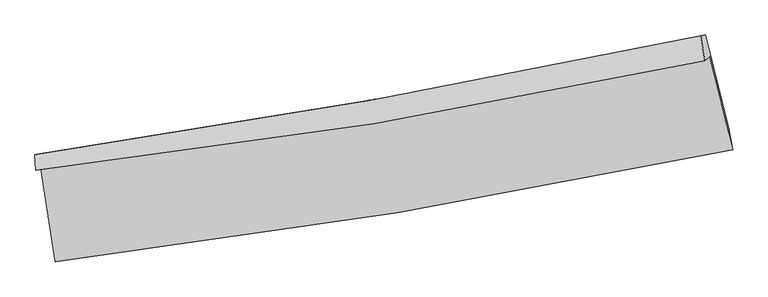
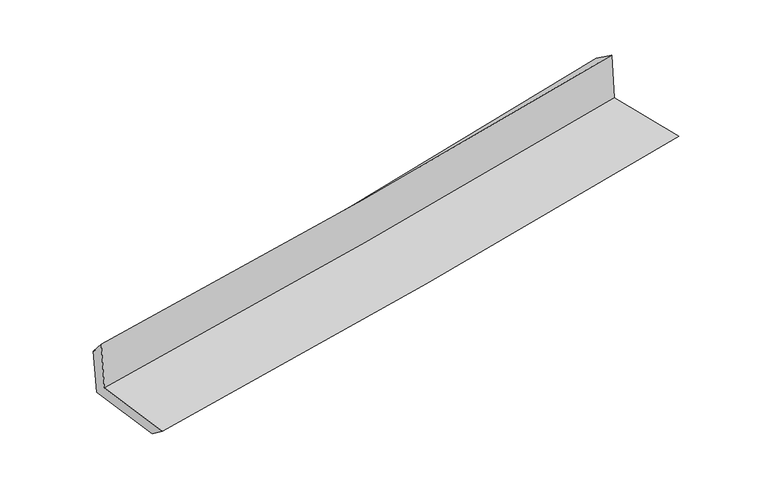
"""IFC4 building model written with IfcOpenShell, lengths in millimetres: proxy geometry."""

from ifc_helpers import new_model, si_unit, frame, origin, place, context, project, spatial, source, transform, mapped, element, save
from ifc_brep_helpers import plane_surface, spline_curve, spline_surface, advanced_brep


def generic_models_f99ea851(model_context):
    return source(origin(), model_context, "Body", "AdvancedBrep", [
        advanced_brep(
        [(-2399.1787434, -1869.8694059, 1659.6565015), (-2296.7394208, -2534.1814975, 1642.9161862), (2484.8513843, -1743.9035613, 2103.7162376), (2323.3623831, -1086.5047634, 2100.1345219), (-2435.4129349, -1887.4790576, 2067.5746542), (2289.5324313, -1113.996332, 2508.3401672), (-2440.033938, -1779.6277925, 1944.3748666), (2258.9012122, -939.5836404, 2384.5908129), (-2404.8308864, -1772.6296335, 1564.1560031), (2293.2252514, -933.1195019, 2023.4683744), (-2306.591675, -2408.0391524, 1545.4519521), (2455.219051, -1575.7592316, 1985.439951)],
        [
            (0, 1),
            (1, 2, spline_curve(3, [(-2296.7394208, -2534.1814975, 1642.9161862), (-1491.512755881, -2436.919404896, 1734.398367659), (-687.799394959, -2321.877656682, 1818.747251311), (906.024567308, -2057.98595662, 1972.16041857), (1696.174808052, -1909.60172634, 2041.411551918), (2484.8513843, -1743.9035613, 2103.7162376)], [4, 2, 4], [0.0, 7.99155658129028, 15.877753015588517])),
            (2, 3),
            (3, 0, spline_curve(3, [(2323.3623831, -1086.5047634, 2100.1345219), (1546.07189779, -1252.753525063, 2046.193912235), (766.508197297, -1400.846393367, 1982.823669674), (-807.611032076, -1662.456309482, 1836.251307397), (-1602.227706662, -1775.484988909, 1752.795543083), (-2399.1787434, -1869.8694059, 1659.6565015)], [4, 2, 4], [0.0, 7.886196434298237, 15.877753015588517])),
            (4, 0),
            (3, 5),
            (5, 4, spline_curve(3, [(2289.5324313, -1113.996332, 2508.3401672), (1512.629706837, -1281.957577435, 2451.253986463), (733.063470149, -1430.09976892, 2386.27688107), (-841.846673807, -1688.460449548, 2239.567298447), (-1637.262225625, -1798.145833413, 2157.622566311), (-2435.4129349, -1887.4790576, 2067.5746542)], [4, 2, 4], [0.0, 7.837563758816059, 15.779837928610087])),
            (6, 4),
            (5, 7),
            (7, 6, spline_curve(3, [(2258.9012122, -939.5836404, 2384.5908129), (1486.673430822, -1103.389778059, 2308.06044577), (711.599023427, -1254.914045765, 2233.341925659), (-854.636122926, -1535.259128395, 2086.554540784), (-1645.873432334, -1663.749578271, 2014.534412006), (-2440.033938, -1779.6277925, 1944.3748666)], [4, 2, 4], [0.0, 7.825038892857243, 15.754620863589677])),
            (8, 6),
            (7, 9),
            (9, 8, spline_curve(3, [(2293.2252514, -933.1195019, 2023.4683744), (1520.868872612, -1097.019632839, 1946.735649185), (745.802022218, -1248.547295571, 1870.34495933), (-820.14378233, -1528.716808761, 1717.231635424), (-1611.095644649, -1657.025856449, 1640.518201484), (-2404.8308864, -1772.6296335, 1564.1560031)], [4, 2, 4], [0.0, 7.813313747208742, 15.731013923510297])),
            (10, 8),
            (9, 11),
            (11, 10, spline_curve(3, [(2455.219051, -1575.7592316, 1985.439951), (1669.329599593, -1732.622945313, 1910.728612867), (882.20870535, -1880.014505977, 1836.944386776), (-705.028412619, -2157.695934349, 1690.256782382), (-1505.177760413, -2287.731013826, 1617.378342285), (-2306.591675, -2408.0391524, 1545.4519521)], [4, 2, 4], [0.0, 7.862137459703891, 15.82931363678279])),
            (1, 10),
            (11, 2),
        ],
        [
            spline_surface(3, 3, [[(-2399.1787434, -1869.8694059, 1659.6565015), (-1602.227706756, -1775.484988888, 1752.795542968), (-807.611031945, -1662.456309551, 1836.251307264), (766.508197167, -1400.846393298, 1982.823669805), (1546.071897853, -1252.753525159, 2046.193912331), (2323.3623831, -1086.5047634, 2100.1345219)], [(-2365.032302549, -2091.306769767, 1654.076396408), (-1565.322723134, -1995.963127581, 1746.663151166), (-767.673819611, -1882.263425245, 1830.416621959), (813.013653849, -1619.892914427, 1979.269252714), (1596.106201228, -1471.70292554, 2044.599792191), (2377.192050165, -1305.637696025, 2101.328427153)], [(-2330.885861651, -2312.744133633, 1648.496291292), (-1528.417739464, -2216.441266273, 1740.530759341), (-727.736607236, -2102.070540931, 1824.581936655), (859.519110571, -1838.939435548, 1975.714835623), (1646.140504607, -1690.652325946, 2043.005671991), (2431.021717235, -1524.770628675, 2102.522332347)], [(-2296.7394208, -2534.1814975, 1642.9161862), (-1491.512755842, -2436.919404967, 1734.398367539), (-687.799394903, -2321.877656625, 1818.74725135), (906.024567253, -2057.985956677, 1972.160418531), (1696.174807982, -1909.601726326, 2041.41155185), (2484.8513843, -1743.9035613, 2103.7162376)]], [4, 4], [4, 2, 4], [0.0, 2.2016654222766032], [0.0, 7.99155658129028, 15.877753015588517]),
            spline_surface(3, 3, [[(-2435.4129349, -1887.4790576, 2067.5746542), (-1637.262225687, -1798.145833403, 2157.622566248), (-841.846673773, -1688.460449584, 2239.567298485), (733.063470115, -1430.099768885, 2386.276881032), (1512.629706928, -1281.957577526, 2451.253986504), (2289.5324313, -1113.996332, 2508.3401672)], [(-2423.33487107, -1881.609173691, 1931.601936628), (-1625.584052713, -1790.592218556, 2022.680225149), (-830.434793149, -1679.79240289, 2105.128634743), (744.211712481, -1420.348643673, 2251.792477288), (1523.777103899, -1272.222893395, 2316.233961784), (2300.809081895, -1104.832475791, 2372.271618771)], [(-2411.25680723, -1875.739289809, 1795.629219072), (-1613.90587973, -1783.038603735, 1887.737884067), (-819.022912569, -1671.124356245, 1970.689971006), (755.359954801, -1410.59751851, 2117.308073549), (1534.924500883, -1262.488209291, 2181.213937051), (2312.085732505, -1095.668619609, 2236.203070329)], [(-2399.1787434, -1869.8694059, 1659.6565015), (-1602.227706756, -1775.484988888, 1752.795542968), (-807.611031945, -1662.456309551, 1836.251307264), (766.508197167, -1400.846393298, 1982.823669805), (1546.071897853, -1252.753525159, 2046.193912331), (2323.3623831, -1086.5047634, 2100.1345219)]], [4, 4], [4, 2, 4], [0.0, 1.33117316364643], [0.0, 7.942274169794028, 15.779837928610087]),
            spline_surface(3, 3, [[(-2440.033938, -1779.6277925, 1944.3748666), (-1645.873432435, -1663.7495784, 2014.534412124), (-854.636122932, -1535.259128524, 2086.554540741), (711.599023432, -1254.914045637, 2233.341925703), (1486.673430713, -1103.389778119, 2308.060445874), (2258.9012122, -939.5836404, 2384.5908129)], [(-2438.493603638, -1815.578214224, 1985.441462464), (-1643.003030191, -1708.548330092, 2062.230463496), (-850.372973223, -1586.326235557, 2137.558793309), (718.753838983, -1313.309286732, 2284.320244133), (1495.325522808, -1162.912377921, 2355.791626071), (2269.11161859, -997.721204266, 2425.840597654)], [(-2436.953269262, -1851.528635876, 2026.508058336), (-1640.132627932, -1753.347081711, 2109.926514876), (-846.109823483, -1637.393342551, 2188.563045917), (725.908654565, -1371.704527789, 2335.298562602), (1503.977614833, -1222.434977725, 2403.522806307), (2279.32202491, -1055.858768134, 2467.090382446)], [(-2435.4129349, -1887.4790576, 2067.5746542), (-1637.262225687, -1798.145833403, 2157.622566248), (-841.846673773, -1688.460449584, 2239.567298485), (733.063470115, -1430.099768885, 2386.276881032), (1512.629706928, -1281.957577526, 2451.253986504), (2289.5324313, -1113.996332, 2508.3401672)]], [4, 4], [4, 2, 4], [0.0, 0.7380316483350869], [0.0, 7.929581970732434, 15.754620863589677]),
            spline_surface(3, 3, [[(-2404.8308864, -1772.6296335, 1564.1560031), (-1611.095644587, -1657.025856359, 1640.518201375), (-820.14378235, -1528.716808679, 1717.231635343), (745.802022238, -1248.547295652, 1870.344959409), (1520.868872654, -1097.019632803, 1946.735649182), (2293.2252514, -933.1195019, 2023.4683744)], [(-2416.565236937, -1774.96235315, 1690.895624275), (-1622.68824054, -1659.267097023, 1765.190271633), (-831.641229198, -1530.897581943, 1840.33927046), (734.401022649, -1250.669545629, 1991.343948158), (1509.470392005, -1099.143014575, 2067.177248064), (2281.783904998, -935.274214733, 2143.842520551)], [(-2428.299587463, -1777.29507285, 1817.635245425), (-1634.280836482, -1661.508337736, 1889.862341866), (-843.138676084, -1533.078355261, 1963.446905624), (723.000023021, -1252.79179566, 2112.342936954), (1498.071911362, -1101.266396347, 2187.618846992), (2270.342558602, -937.428927567, 2264.216666749)], [(-2440.033938, -1779.6277925, 1944.3748666), (-1645.873432435, -1663.7495784, 2014.534412124), (-854.636122932, -1535.259128524, 2086.554540741), (711.599023432, -1254.914045637, 2233.341925703), (1486.673430713, -1103.389778119, 2308.060445874), (2258.9012122, -939.5836404, 2384.5908129)]], [4, 4], [4, 2, 4], [0.0, 1.2069101753906897], [0.0, 7.917700176301555, 15.731013923510297]),
            spline_surface(3, 3, [[(-2306.591675, -2408.0391524, 1545.4519521), (-1505.177760283, -2287.731013885, 1617.37834223), (-705.028412561, -2157.695934298, 1690.256782408), (882.208705292, -1880.014506027, 1836.944386751), (1669.329599601, -1732.622945393, 1910.728612882), (2455.219051, -1575.7592316, 1985.439951)], [(-2339.338078798, -2196.235979433, 1551.686635768), (-1540.483721715, -2077.495961376, 1625.091628613), (-743.400202495, -1948.03622577, 1699.248400059), (836.739810936, -1669.525435914, 1848.077910976), (1619.84269061, -1520.755174549, 1922.730958333), (2401.221117791, -1361.545988386, 1998.116092152)], [(-2372.084482602, -1984.432806467, 1557.921319432), (-1575.789683155, -1867.260908868, 1632.804914992), (-781.771992415, -1738.376517207, 1708.240017692), (791.270916594, -1459.036365765, 1859.211435184), (1570.355781645, -1308.887403647, 1934.73330373), (2347.223184609, -1147.332745114, 2010.792233248)], [(-2404.8308864, -1772.6296335, 1564.1560031), (-1611.095644587, -1657.025856359, 1640.518201375), (-820.14378235, -1528.716808679, 1717.231635343), (745.802022238, -1248.547295652, 1870.344959409), (1520.868872654, -1097.019632803, 1946.735649182), (2293.2252514, -933.1195019, 2023.4683744)]], [4, 4], [4, 2, 4], [0.0, 2.1106028635042824], [0.0, 7.9671761770788985, 15.82931363678279]),
            spline_surface(3, 3, [[(-2296.7394208, -2534.1814975, 1642.9161862), (-1491.512755842, -2436.919404967, 1734.398367539), (-687.799394903, -2321.877656625, 1818.74725135), (906.024567253, -2057.985956677, 1972.160418531), (1696.174807982, -1909.601726326, 2041.41155185), (2484.8513843, -1743.9035613, 2103.7162376)], [(-2300.023505508, -2492.134049134, 1610.428108158), (-1496.067757297, -2387.189941274, 1695.391692427), (-693.542400788, -2267.150415857, 1775.917095061), (898.0859466, -1998.662139801, 1927.088407962), (1687.226405182, -1850.608799348, 1997.85057218), (2474.973939861, -1687.855451399, 2064.290808719)], [(-2303.307590292, -2450.086600766, 1577.940030142), (-1500.622758829, -2337.460477578, 1656.385017341), (-699.285406676, -2212.423175066, 1733.086938697), (890.147325945, -1939.338322903, 1882.01639732), (1678.2780024, -1791.615872372, 1954.289592552), (2465.096495439, -1631.807341501, 2024.865379881)], [(-2306.591675, -2408.0391524, 1545.4519521), (-1505.177760283, -2287.731013885, 1617.37834223), (-705.028412561, -2157.695934298, 1690.256782408), (882.208705292, -1880.014506027, 1836.944386751), (1669.329599601, -1732.622945393, 1910.728612882), (2455.219051, -1575.7592316, 1985.439951)]], [4, 4], [4, 2, 4], [0.0, 0.7114821193312852], [0.0, 8.028529119390948, 15.951210648322572]),
            plane_surface(frame((2350.8486189, -1232.1445051, 2184.2816775), z_axis=(0.9665102529738523, 0.23794546915805748, 0.09612431848170541), x_axis=(-0.09460673114946598, -0.01781698854114297, 0.9953552739301368))),
            plane_surface(frame((-2380.4645997, -2041.9710899, 1737.3550273), z_axis=(-0.9843069627356891, -0.1494178732262742, -0.09388345046162433), x_axis=(-0.15235504411160877, 0.9880121763657902, 0.024897387145736635))),
        ],
        [
            (0, [[1, 2, 3, 4]]),
            (1, [[5, -4, 6, 7]]),
            (2, [[8, -7, 9, 10]]),
            (3, [[11, -10, 12, 13]]),
            (4, [[14, -13, 15, 16]]),
            (5, [[17, -16, 18, -2]]),
            (6, [[-12, -9, -6, -3, -18, -15]]),
            (7, [[-1, -5, -8, -11, -14, -17]]),
        ],
    ),
    ])


if __name__ == "__main__":
    model = new_model("IFC4")
    model_context = context("Model", 3, world=origin())
    ifc_project = project(units=[si_unit("LENGTHUNIT", "METRE", prefix="MILLI")], contexts=[model_context])
    site = spatial("IfcSite", under=ifc_project)
    building = spatial("IfcBuilding", under=site)
    placement = place(None, origin())
    generic_models_shape = generic_models_f99ea851(model_context)
    element("IfcBuildingElementProxy", 1, Name="Generic Models", at=placement, inside=building, context=model_context, shape_type="MappedRepresentation", body=[
        mapped(generic_models_shape, transform((0.0, 0.0, 0.0), x_axis=(1.0, 0.0, 0.0), y_axis=(0.0, 1.0, 0.0), z_axis=(0.0, 0.0, 1.0))),
    ])
    save(model, "model.ifc")
